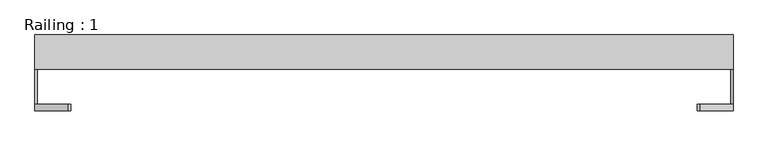
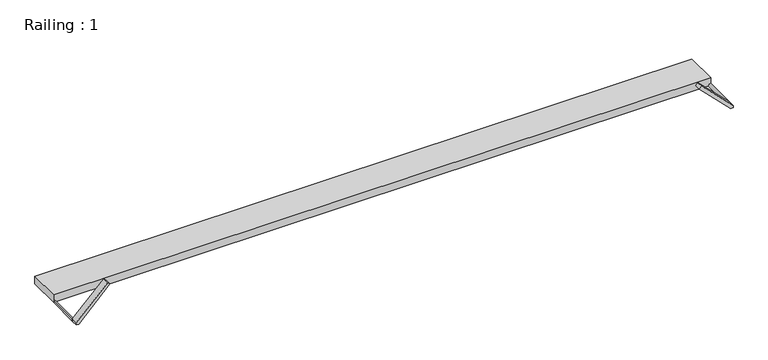
"""IFC4 building model written with IfcOpenShell, lengths in millimetres: proxy geometry, Railing : 1."""

from ifc_helpers import new_model, si_unit, point, frame, frame_2d, origin, origin_with_axes, place, context, project, spatial, polyline, circle_curve, trimmed, segment, composite_curve, outline, extrude, source, transform, mapped, element, save


def railing_1_db6416d0(model_context):
    return source(origin(), model_context, "Body", "SweptSolid", [
        extrude(outline(polyline([(1010.0, 148.3559767), (-1010.0, 148.3559767), (-1010.0, 248.3559767), (1010.0, 248.3559767), (1010.0, 148.3559767)])), origin_with_axes(), (0.0, 0.0, 1.0), 25.0),
        extrude(outline(composite_curve([segment(polyline([(0.0, 1010.0), (7.0710678, 1010.0)]), True, "CONTINUOUS"), segment(trimmed(circle_curve(frame_2d((0.0, 1010.0)), 7.0710678), [point((7.0710678, 1010.0))], [point((0.0, 1002.9289322))], False, "CARTESIAN"), True, "CONTINUOUS"), segment(polyline([(0.0, 1002.9289322), (0.0, 1010.0)]), True, "CONTINUOUS")], self_intersect=False)), frame((0.0, 48.3559767, 0.0), z_axis=(0.0, 1.0, 0.0), x_axis=(0.0, 0.0, 1.0)), (0.0, 0.0, 1.0), 100.0),
        extrude(outline(composite_curve([segment(polyline([(0.0, -1010.0), (0.0, -1002.9289322)]), True, "CONTINUOUS"), segment(trimmed(circle_curve(frame_2d((0.0, -1010.0)), 7.0710678), [point((0.0, -1002.9289322))], [point((7.0710678, -1010.0))], False, "CARTESIAN"), True, "CONTINUOUS"), segment(polyline([(7.0710678, -1010.0), (0.0, -1010.0)]), True, "CONTINUOUS")], self_intersect=False)), frame((0.0, 48.3559767, 0.0), z_axis=(0.0, 1.0, 0.0), x_axis=(0.0, 0.0, 1.0)), (0.0, 0.0, 1.0), 100.0),
        extrude(outline(polyline([(103.5355339, 913.5355339), (96.4644661, 906.4644661), (0.0, 1002.9289322), (0.0, 1010.0), (7.0710678, 1010.0), (103.5355339, 913.5355339)])), frame((0.0, 28.3559767, 0.0), z_axis=(0.0, 1.0, 0.0), x_axis=(0.0, 0.0, 1.0)), (0.0, 0.0, 1.0), 20.0),
        extrude(outline(polyline([(0.0, -1010.0), (0.0, -1002.9289322), (96.4644661, -906.4644661), (103.5355339, -913.5355339), (7.0710678, -1010.0), (0.0, -1010.0)])), frame((0.0, 28.3559767, 0.0), z_axis=(0.0, 1.0, 0.0), x_axis=(0.0, 0.0, 1.0)), (0.0, 0.0, 1.0), 20.0),
    ])


if __name__ == "__main__":
    model = new_model("IFC4")
    model_context = context("Model", 3, world=origin())
    ifc_project = project(units=[si_unit("LENGTHUNIT", "METRE", prefix="MILLI")], contexts=[model_context])
    site = spatial("IfcSite", under=ifc_project)
    building = spatial("IfcBuilding", under=site)
    placement = place(None, origin())
    railing_1_shape = railing_1_db6416d0(model_context)
    element("IfcBuildingElementProxy", 1, Name="Railing : 1", ObjectType="Railing : 1", at=placement, inside=building, context=model_context, shape_type="MappedRepresentation", body=[
        mapped(railing_1_shape, transform((0.0, 0.0, 0.0), x_axis=(1.0, 0.0, 0.0), y_axis=(0.0, 1.0, 0.0), z_axis=(0.0, 0.0, 1.0))),
    ])
    save(model, "model.ifc")
